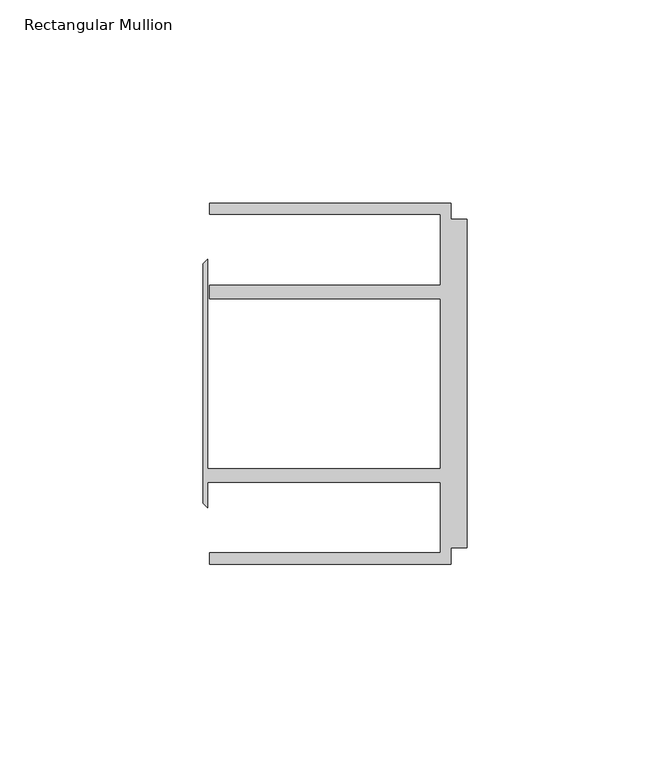
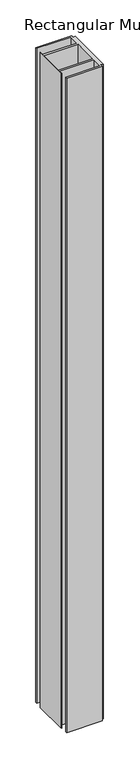
"""IFC4 building model written with IfcOpenShell, lengths in millimetres: member geometry, Rectangular Mullion."""

from ifc_helpers import new_model, si_unit, frame, origin, place, context, project, spatial, polyline, outline, extrude, source, transform, mapped, element, save


def rectangular_mullion_539a4639(model_context):
    return source(origin(), model_context, "Body", "SweptSolid", [
        extrude(outline(polyline([(-4.0000001, 44.45), (-4.0000001, 40.4500013), (0.0, 40.4500013), (0.0, -40.4500013), (-4.0000001, -40.4500013), (-4.0000001, -44.45), (-63.5, -44.45), (-63.5, -41.6500013), (-6.6000002, -41.6500013), (-6.6000002, -24.2500008), (-63.9424102, -24.2500008), (-63.9424102, -30.6159585), (-65.0875, -29.4708687), (-65.0875, 29.4708687), (-63.9424102, 30.6159585), (-63.9424102, -20.9500007), (-6.6000002, -20.9500007), (-6.6000002, 20.9500007), (-63.5, 20.9500007), (-63.5, 24.2500008), (-6.6000002, 24.2500008), (-6.6000002, 41.6500013), (-63.5, 41.6500013), (-63.5, 44.45), (-4.0000001, 44.45)])), frame((0.0, 0.0, -1154.1125), z_axis=(0.0, 0.0, 1.0), x_axis=(1.0, 0.0, 0.0)), (0.0, 0.0, 1.0), 1154.1125),
    ])


if __name__ == "__main__":
    model = new_model("IFC4")
    model_context = context("Model", 3, world=origin())
    ifc_project = project(units=[si_unit("LENGTHUNIT", "METRE", prefix="MILLI")], contexts=[model_context])
    site = spatial("IfcSite", under=ifc_project)
    building = spatial("IfcBuilding", under=site)
    placement = place(None, origin())
    rectangular_mullion_shape = rectangular_mullion_539a4639(model_context)
    element("IfcMember", 1, ObjectType="Rectangular Mullion", at=placement, inside=building, context=model_context, shape_type="MappedRepresentation", body=[
        mapped(rectangular_mullion_shape, transform((0.0, 0.0, 0.0), x_axis=(1.0, 0.0, 0.0), y_axis=(0.0, 1.0, 0.0), z_axis=(0.0, 0.0, 1.0))),
    ])
    save(model, "model.ifc")
